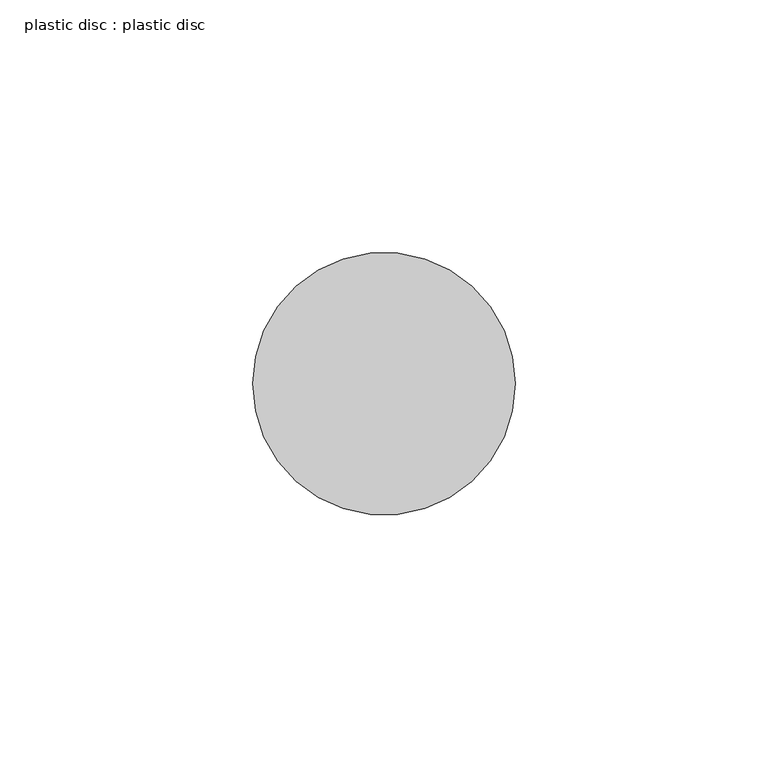
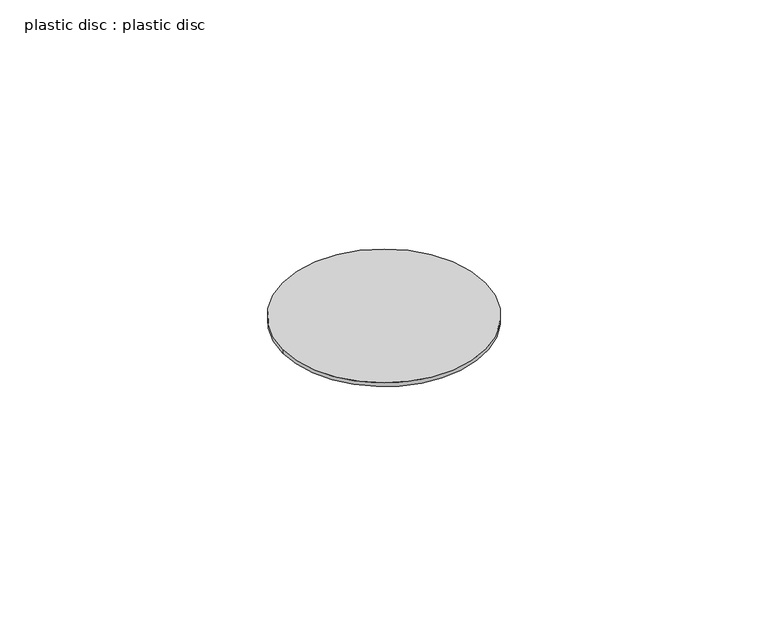
"""IFC4 building model written with IfcOpenShell, lengths in millimetres: proxy geometry, plastic disc : plastic disc."""

import ifcopenshell
import ifcopenshell.guid

model = None  # the IFC model being written
_history = None  # IfcOwnerHistory: only IFC2X3 demands one
_inside = {}  # id of a spatial element -> (the spatial element, [elements in it])
_under = {}  # id of a project, library or spatial element -> (it, [spatial elements below it])
_declared = {}  # id of a project -> (the project, [libraries it declares])
_typed = {}  # id of a type object -> (the type object, [elements of that type])
_made_of = {}  # id of a material, layer set ... -> (it, [elements and type objects made of it])


def new_model(schema):
    """Start an empty IFC model of exactly this schema.

    Asked for "IFC4X3", IfcOpenShell would pick the latest addendum, in which some entities
    have other attributes; the version numbers below select the first issue.
    IFC2X3 requires an IfcOwnerHistory on every rooted entity: one is made here for all.
    """
    global model, _history
    if schema == "IFC4X3":
        model = ifcopenshell.file(schema_version=(4, 3, 0, 0))
    else:
        model = ifcopenshell.file(schema=schema)
    _inside.clear()
    _under.clear()
    _declared.clear()
    _typed.clear()
    _made_of.clear()
    _history = None
    if model.schema == "IFC2X3":
        org = make("IfcOrganization", Name="unknown")
        user = make(
            "IfcPersonAndOrganization",
            ThePerson=make("IfcPerson", FamilyName="unknown"),
            TheOrganization=org,
        )
        app = make(
            "IfcApplication",
            ApplicationDeveloper=org,
            Version="unknown",
            ApplicationFullName="unknown",
            ApplicationIdentifier="unknown",
        )
        _history = make(
            "IfcOwnerHistory",
            OwningUser=user,
            OwningApplication=app,
            ChangeAction="ADDED",
            CreationDate=0,
        )
    return model


def make(cls, **values):
    """One entity of the class cls with the attributes given. An attribute that is None is left unset."""
    return model.create_entity(
        cls, **{name: value for name, value in values.items() if value is not None}
    )


def rooted(cls, **values):
    """An entity with a GlobalId (a new one), such as an element, a storey or a relation."""
    return make(cls, GlobalId=ifcopenshell.guid.new(), OwnerHistory=_history, **values)


def si_unit(unit_type, name, prefix=None):
    """IfcSIUnit, for example si_unit("LENGTHUNIT", "METRE", prefix="MILLI")."""
    return make("IfcSIUnit", UnitType=unit_type, Prefix=prefix, Name=name)


def assignment(units):
    """IfcUnitAssignment: the units of a project."""
    return None if units is None else make("IfcUnitAssignment", Units=units)


def point(xyz):
    """IfcCartesianPoint."""
    return None if xyz is None else make("IfcCartesianPoint", Coordinates=xyz)


def direction(xyz):
    """IfcDirection."""
    return None if xyz is None else make("IfcDirection", DirectionRatios=xyz)


def frame(location, z_axis=None, x_axis=None):
    """IfcAxis2Placement3D, a coordinate frame: its origin and axes. An axis left out is left unset."""
    return make(
        "IfcAxis2Placement3D",
        Location=point(location),
        Axis=direction(z_axis),
        RefDirection=direction(x_axis),
    )


def frame_2d(location, x_axis=None):
    """IfcAxis2Placement2D, a coordinate frame in the plane: its origin and x axis."""
    return make(
        "IfcAxis2Placement2D", Location=point(location), RefDirection=direction(x_axis)
    )


def origin():
    """The frame at (0, 0, 0) with its axes left unset."""
    return frame((0.0, 0.0, 0.0))


def origin_with_axes():
    """The frame at (0, 0, 0) with the z axis (0, 0, 1) and the x axis (1, 0, 0) written out."""
    return frame((0.0, 0.0, 0.0), z_axis=(0.0, 0.0, 1.0), x_axis=(1.0, 0.0, 0.0))


def origin_2d():
    """The frame at (0, 0) in the plane with its x axis left unset."""
    return frame_2d((0.0, 0.0))


def place(relative_to, where):
    """IfcLocalPlacement: puts the frame where relative to a parent placement (None: the world)."""
    return make(
        "IfcLocalPlacement", PlacementRelTo=relative_to, RelativePlacement=where
    )


def context(
    kind, dimensions, precision=None, world=None, true_north=None, identifier=None
):
    """IfcGeometricRepresentationContext, for example the 3D "Model" context."""
    return make(
        "IfcGeometricRepresentationContext",
        ContextIdentifier=identifier,
        ContextType=kind,
        CoordinateSpaceDimension=dimensions,
        Precision=precision,
        WorldCoordinateSystem=world,
        TrueNorth=true_north,
    )


def project(units=None, contexts=None):
    """IfcProject with its units and contexts."""
    return rooted(
        "IfcProject",
        Name="project",
        RepresentationContexts=contexts,
        UnitsInContext=assignment(units),
    )


def spatial(cls, under=None, at=None, **own):
    """A site, building, storey or space (cls), placed at a placement, below another one or the project."""
    s = rooted(cls, ObjectPlacement=at, **own)
    if under is not None:
        _under.setdefault(under.id(), (under, []))[1].append(s)
    return s


def circle_curve(where, radius):
    """IfcCircle in the frame where."""
    return make("IfcCircle", Position=where, Radius=radius)


def trimmed(basis, trim1, trim2, sense, master):
    """IfcTrimmedCurve: the piece of a basis curve between two trims."""
    return make(
        "IfcTrimmedCurve",
        BasisCurve=basis,
        Trim1=trim1,
        Trim2=trim2,
        SenseAgreement=sense,
        MasterRepresentation=master,
    )


def segment(curve, same_sense, transition):
    """IfcCompositeCurveSegment."""
    return make(
        "IfcCompositeCurveSegment",
        Transition=transition,
        SameSense=same_sense,
        ParentCurve=curve,
    )


def composite_curve(segments, self_intersect=None):
    """IfcCompositeCurve: segments joined end to end."""
    return make("IfcCompositeCurve", Segments=segments, SelfIntersect=self_intersect)


def outline(outer, holes=None, kind="AREA"):
    """IfcArbitraryClosedProfileDef: a profile drawn as a closed curve; with holes, ...WithVoids."""
    if holes is None:
        return make("IfcArbitraryClosedProfileDef", ProfileType=kind, OuterCurve=outer)
    return make(
        "IfcArbitraryProfileDefWithVoids",
        ProfileType=kind,
        OuterCurve=outer,
        InnerCurves=holes,
    )


def extrude(swept, where, along, depth):
    """IfcExtrudedAreaSolid: the profile swept, set in the frame where, extruded along a direction by depth."""
    return make(
        "IfcExtrudedAreaSolid",
        SweptArea=swept,
        Position=where,
        ExtrudedDirection=direction(along),
        Depth=depth,
    )


def shape(context_of_items, identifier, shape_type, items):
    """IfcShapeRepresentation: the items that make up one representation, for example the "Body"."""
    return make(
        "IfcShapeRepresentation",
        ContextOfItems=context_of_items,
        RepresentationIdentifier=identifier,
        RepresentationType=shape_type,
        Items=items,
    )


def source(mapping_origin, context_of_items, identifier, shape_type, items):
    """IfcRepresentationMap: a shape defined once, which mapped items show again and again."""
    return make(
        "IfcRepresentationMap",
        MappingOrigin=mapping_origin,
        MappedRepresentation=shape(context_of_items, identifier, shape_type, items),
    )


def transform(
    local_origin,
    x_axis=None,
    y_axis=None,
    z_axis=None,
    scale=None,
    scale2=None,
    scale3=None,
    uniform=True,
):
    """IfcCartesianTransformationOperator3D, or its non-uniform kind. x_axis, y_axis, z_axis: its Axis1, 2, 3."""
    if uniform:
        return make(
            "IfcCartesianTransformationOperator3D",
            Axis1=direction(x_axis),
            Axis2=direction(y_axis),
            LocalOrigin=point(local_origin),
            Scale=scale,
            Axis3=direction(z_axis),
        )
    return make(
        "IfcCartesianTransformationOperator3DnonUniform",
        Axis1=direction(x_axis),
        Axis2=direction(y_axis),
        LocalOrigin=point(local_origin),
        Scale=scale,
        Axis3=direction(z_axis),
        Scale2=scale2,
        Scale3=scale3,
    )


def mapped(mapping_source, mapping_target):
    """IfcMappedItem: shows the shape of a source again, moved by a transform."""
    return make(
        "IfcMappedItem", MappingSource=mapping_source, MappingTarget=mapping_target
    )


def made_of(thing, what):
    """Note that an element or type object is made of a material, layer set ...; save() writes the relation."""
    if what is not None:
        _made_of.setdefault(what.id(), (what, []))[1].append(thing)
    return thing


def element(
    cls,
    number,
    at=None,
    inside=None,
    cuts=None,
    type_object=None,
    material=None,
    context=None,
    identifier="Body",
    shape_type=None,
    held_by="IfcProductDefinitionShape",
    body=None,
    shapes=None,
    **own,
):
    """One element of the class cls, such as IfcWall. Its Tag is "e" and its number.

    at: its placement. inside: the storey or other place that contains it. cuts: it is an
    opening in that element (IfcRelVoidsElement). A single representation is given by context,
    identifier, shape_type and body (its items); several are given by shapes. held_by: the class
    of the entity that holds the representations. save() writes the other relations.
    """
    e = rooted(cls, Tag="e%d" % number, ObjectPlacement=at, **own)
    if body is not None:
        shapes = [shape(context, identifier, shape_type, body)]
    if shapes is not None:
        e.Representation = make(held_by, Representations=shapes)
    if inside is not None:
        _inside.setdefault(inside.id(), (inside, []))[1].append(e)
    if cuts is not None:
        rooted(
            "IfcRelVoidsElement", RelatingBuildingElement=cuts, RelatedOpeningElement=e
        )
    if type_object is not None:
        _typed.setdefault(type_object.id(), (type_object, []))[1].append(e)
    return made_of(e, material)


def aggregate(whole, parts):
    """IfcRelAggregates: a whole, such as a stair, and the parts it consists of."""
    return rooted("IfcRelAggregates", RelatingObject=whole, RelatedObjects=parts)


def save(model, path):
    """Write the relations noted so far, then the file.

    IfcRelAggregates (storeys below a building ...), IfcRelContainedInSpatialStructure (elements
    in a storey), IfcRelDefinesByType, IfcRelAssociatesMaterial and IfcRelDeclares: one each for
    every whole, place, type object, material and project.
    """
    for whole, parts in _under.values():
        aggregate(whole, parts)
    for where, things in _inside.values():
        rooted(
            "IfcRelContainedInSpatialStructure",
            RelatedElements=things,
            RelatingStructure=where,
        )
    for kind, things in _typed.values():
        rooted("IfcRelDefinesByType", RelatedObjects=things, RelatingType=kind)
    for what, things in _made_of.values():
        rooted("IfcRelAssociatesMaterial", RelatedObjects=things, RelatingMaterial=what)
    for by, libraries in _declared.values():
        rooted("IfcRelDeclares", RelatingContext=by, RelatedDefinitions=libraries)
    model.write(path)


def plastic_disc_plastic_disc_e677d17a(model_context):
    return source(origin(), model_context, "Body", "SweptSolid", [
        extrude(outline(composite_curve([segment(trimmed(circle_curve(origin_2d(), 26.0), [point((-26.0, 0.0))], [point((26.0, 0.0))], False, "CARTESIAN"), True, "CONTINUOUS"), segment(trimmed(circle_curve(origin_2d(), 26.0), [point((26.0, 0.0))], [point((-26.0, 0.0))], False, "CARTESIAN"), True, "CONTINUOUS")], self_intersect=False)), origin_with_axes(), (0.0, 0.0, 1.0), 1.0),
    ])


if __name__ == "__main__":
    model = new_model("IFC4")
    model_context = context("Model", 3, world=origin())
    ifc_project = project(units=[si_unit("LENGTHUNIT", "METRE", prefix="MILLI")], contexts=[model_context])
    site = spatial("IfcSite", under=ifc_project)
    building = spatial("IfcBuilding", under=site)
    placement = place(None, origin())
    plastic_disc_plastic_disc_shape = plastic_disc_plastic_disc_e677d17a(model_context)
    element("IfcBuildingElementProxy", 1, Name="plastic disc : plastic disc", ObjectType="plastic disc : plastic disc", at=placement, inside=building, context=model_context, shape_type="MappedRepresentation", body=[
        mapped(plastic_disc_plastic_disc_shape, transform((0.0, 0.0, 0.0), x_axis=(1.0, 0.0, 0.0), y_axis=(0.0, 1.0, 0.0), z_axis=(0.0, 0.0, 1.0))),
    ])
    save(model, "model.ifc")
